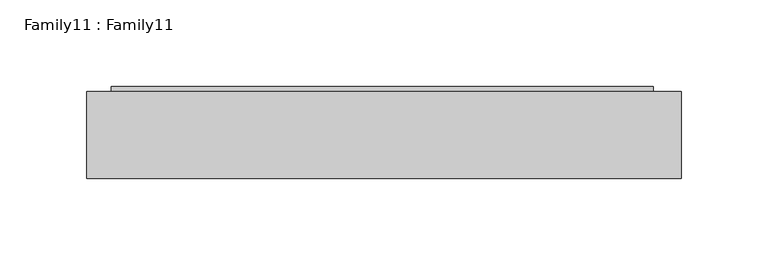
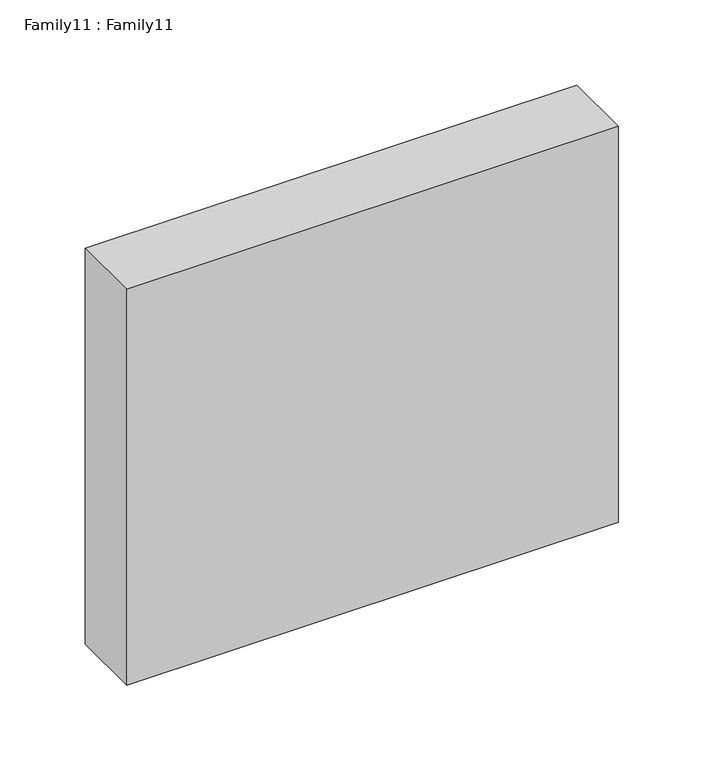
"""IFC4 building model written with IfcOpenShell, lengths in millimetres: proxy geometry, Family11 : Family11."""

from ifc_helpers import new_model, si_unit, frame, origin, place, context, project, spatial, polyline, outline, extrude, source, transform, mapped, element, save


def family11_family11_db624c63(model_context):
    return source(origin(), model_context, "Body", "SweptSolid", [
        extrude(outline(polyline([(157.2205332, 103.7387258), (-155.2794668, 103.7387258), (-155.2794668, 129.199058), (157.2205332, 129.199058), (157.2205332, 103.7387258)])), frame((0.0, 0.0, 1419.715752), z_axis=(0.0, 0.0, 1.0), x_axis=(1.0, 0.0, 0.0)), (0.0, 0.0, 1.0), 255.0),
        extrude(outline(polyline([(173.4887365, 76.2), (-169.4112635, 76.2), (-169.4112635, 126.2), (173.4887365, 126.2), (173.4887365, 76.2)])), frame((0.0, 0.0, 1401.0226842), z_axis=(0.0, 0.0, 1.0), x_axis=(1.0, 0.0, 0.0)), (0.0, 0.0, 1.0), 292.1),
    ])


if __name__ == "__main__":
    model = new_model("IFC4")
    model_context = context("Model", 3, world=origin())
    ifc_project = project(units=[si_unit("LENGTHUNIT", "METRE", prefix="MILLI")], contexts=[model_context])
    site = spatial("IfcSite", under=ifc_project)
    building = spatial("IfcBuilding", under=site)
    placement = place(None, origin())
    family11_family11_shape = family11_family11_db624c63(model_context)
    element("IfcBuildingElementProxy", 1, Name="Family11 : Family11", ObjectType="Family11 : Family11", at=placement, inside=building, context=model_context, shape_type="MappedRepresentation", body=[
        mapped(family11_family11_shape, transform((0.0, 0.0, 0.0), x_axis=(1.0, 0.0, 0.0), y_axis=(0.0, 1.0, 0.0), z_axis=(0.0, 0.0, 1.0))),
    ])
    save(model, "model.ifc")
